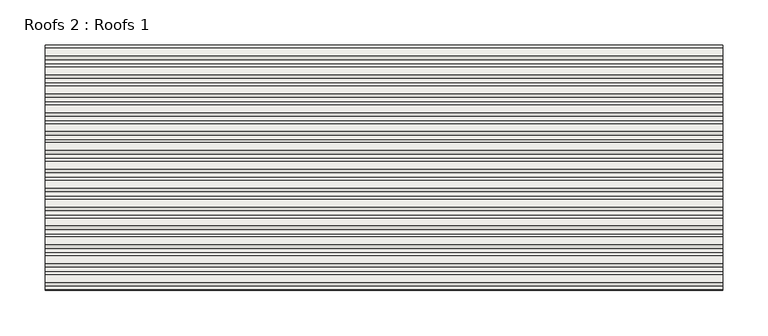
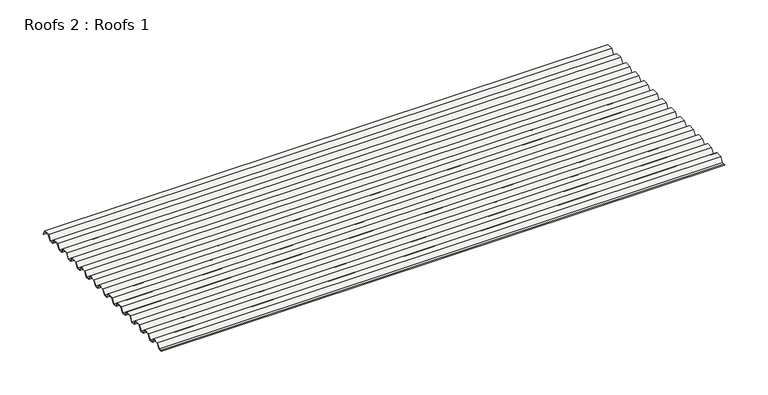
"""IFC4 building model written with IfcOpenShell, lengths in millimetres: roof geometry, Roofs 2 : Roofs 1."""

from ifc_helpers import new_model, si_unit, frame, origin, place, context, project, spatial, polyline, outline, extrude, source, transform, mapped, element, save


def roofs_2_roofs_1_31b816a2(model_context):
    return source(origin(), model_context, "Body", "SweptSolid", [
        extrude(outline(polyline([(-9498.8136811, 23.8967546), (-9504.1340331, 23.8967546), (-9502.6524582, 24.2936296), (-9499.0291486, 24.2936296), (-9494.907277, 30.639777), (-9486.2475422, 30.639777), (-9483.0145815, 24.2936296), (-9478.1529215, 24.2936296), (-9474.03105, 30.639777), (-9465.3713152, 30.639777), (-9462.1383544, 24.2936296), (-9457.2766945, 24.2936296), (-9453.1548229, 30.639777), (-9444.4950881, 30.639777), (-9441.2621273, 24.2936296), (-9436.4004674, 24.2936296), (-9432.2785958, 30.639777), (-9423.618861, 30.639777), (-9420.3859003, 24.2936296), (-9415.5242403, 24.2936296), (-9411.4023688, 30.639777), (-9402.742634, 30.639777), (-9399.5096732, 24.2936296), (-9394.6480132, 24.2936296), (-9390.5261417, 30.639777), (-9381.8664069, 30.639777), (-9378.6334461, 24.2936296), (-9373.7717862, 24.2936296), (-9369.6499146, 30.639777), (-9360.9901798, 30.639777), (-9357.7572191, 24.2936296), (-9352.8955591, 24.2936296), (-9348.7736876, 30.639777), (-9340.1139528, 30.639777), (-9336.880992, 24.2936296), (-9332.019332, 24.2936296), (-9327.8974605, 30.639777), (-9319.2377257, 30.639777), (-9316.0047649, 24.2936296), (-9311.143105, 24.2936296), (-9307.0212334, 30.639777), (-9298.3614986, 30.639777), (-9295.1285378, 24.2936296), (-9290.2668779, 24.2936296), (-9286.1450063, 30.639777), (-9277.4852716, 30.639777), (-9274.2523108, 24.2936296), (-9269.3906508, 24.2936296), (-9265.2687793, 30.639777), (-9256.6090445, 30.639777), (-9253.3760837, 24.2936296), (-9248.5144238, 24.2936296), (-9244.3925522, 30.639777), (-9235.7328174, 30.639777), (-9232.7757887, 24.8352711), (-9232.7430812, 23.8967546), (-9235.9760419, 30.242902), (-9244.1770848, 30.242902), (-9248.2989563, 23.8967546), (-9253.6193082, 23.8967546), (-9256.852269, 30.242902), (-9265.0533118, 30.242902), (-9269.1751834, 23.8967546), (-9274.4955353, 23.8967546), (-9277.7284961, 30.242902), (-9285.9295389, 30.242902), (-9290.0514104, 23.8967546), (-9295.3717624, 23.8967546), (-9298.6047232, 30.242902), (-9306.805766, 30.242902), (-9310.9276375, 23.8967546), (-9316.2479894, 23.8967546), (-9319.4809502, 30.242902), (-9327.681993, 30.242902), (-9331.8038646, 23.8967546), (-9337.1242165, 23.8967546), (-9340.3571773, 30.242902), (-9348.5582201, 30.242902), (-9352.6800917, 23.8967546), (-9358.0004436, 23.8967546), (-9361.2334044, 30.242902), (-9369.4344472, 30.242902), (-9373.5563187, 23.8967546), (-9378.8766707, 23.8967546), (-9382.1096314, 30.242902), (-9390.3106742, 30.242902), (-9394.4325458, 23.8967546), (-9399.7528977, 23.8967546), (-9402.9858585, 30.242902), (-9411.1869013, 30.242902), (-9415.3087729, 23.8967546), (-9420.6291248, 23.8967546), (-9423.8620856, 30.242902), (-9432.0631284, 30.242902), (-9436.1849999, 23.8967546), (-9441.5053519, 23.8967546), (-9444.7383126, 30.242902), (-9452.9393554, 30.242902), (-9457.061227, 23.8967546), (-9462.3815789, 23.8967546), (-9465.6145397, 30.242902), (-9473.8155825, 30.242902), (-9477.9374541, 23.8967546), (-9483.257806, 23.8967546), (-9486.4907668, 30.242902), (-9494.6918096, 30.242902), (-9498.8136811, 23.8967546)])), frame((-2537.9542149, 0.0, 0.0), z_axis=(1.0, 0.0, 0.0), x_axis=(0.0, 1.0, 0.0)), (0.0, 0.0, 1.0), 748.3288715),
    ])


if __name__ == "__main__":
    model = new_model("IFC4")
    model_context = context("Model", 3, world=origin())
    ifc_project = project(units=[si_unit("LENGTHUNIT", "METRE", prefix="MILLI")], contexts=[model_context])
    site = spatial("IfcSite", under=ifc_project)
    building = spatial("IfcBuilding", under=site)
    placement = place(None, origin())
    roofs_2_roofs_1_shape = roofs_2_roofs_1_31b816a2(model_context)
    element("IfcRoof", 1, ObjectType="Roofs 2 : Roofs 1", at=placement, inside=building, context=model_context, shape_type="MappedRepresentation", body=[
        mapped(roofs_2_roofs_1_shape, transform((0.0, 0.0, 0.0), x_axis=(1.0, 0.0, 0.0), y_axis=(0.0, 1.0, 0.0), z_axis=(0.0, 0.0, 1.0))),
    ])
    save(model, "model.ifc")
